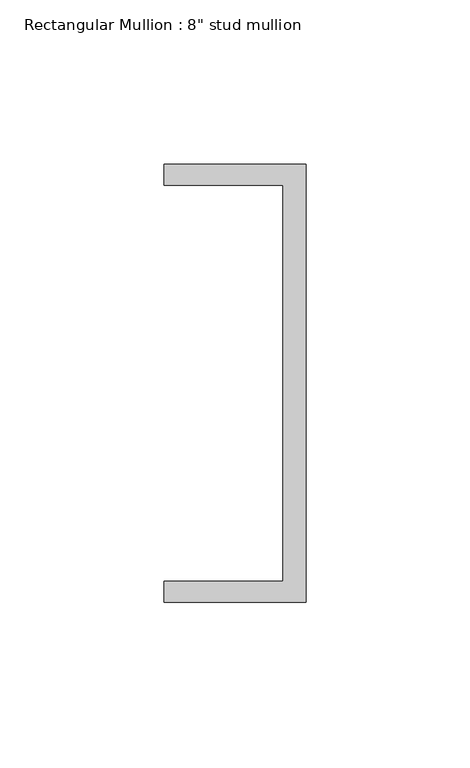
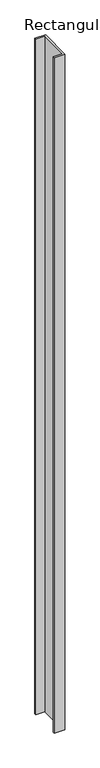
"""IFC4 building model written with IfcOpenShell, lengths in millimetres: member geometry."""

from ifc_helpers import new_model, si_unit, frame, origin, place, context, project, spatial, polyline, outline, extrude, source, transform, mapped, element, save


def member_b373d4e8(model_context):
    return source(origin(), model_context, "Body", "SweptSolid", [
        extrude(outline(polyline([(18.6549463, 135.2608739), (18.6549463, 1.9108739), (-24.5675083, 1.9108739), (-24.5675083, 8.2608739), (11.6110886, 8.2608739), (11.6110886, 128.9108739), (-24.5675083, 128.9108739), (-24.5675083, 135.2608739), (18.6549463, 135.2608739)])), frame((0.0, 0.0, -2853.8513669), z_axis=(0.0, 0.0, 1.0), x_axis=(1.0, 0.0, 0.0)), (0.0, 0.0, 1.0), 2853.8513669),
    ])


if __name__ == "__main__":
    model = new_model("IFC4")
    model_context = context("Model", 3, world=origin())
    ifc_project = project(units=[si_unit("LENGTHUNIT", "METRE", prefix="MILLI")], contexts=[model_context])
    site = spatial("IfcSite", under=ifc_project)
    building = spatial("IfcBuilding", under=site)
    placement = place(None, origin())
    member_shape = member_b373d4e8(model_context)
    element("IfcMember", 1, ObjectType="Rectangular Mullion : 8\" stud mullion", at=placement, inside=building, context=model_context, shape_type="MappedRepresentation", body=[
        mapped(member_shape, transform((0.0, 0.0, 0.0), x_axis=(1.0, 0.0, 0.0), y_axis=(0.0, 1.0, 0.0), z_axis=(0.0, 0.0, 1.0))),
    ])
    save(model, "model.ifc")
